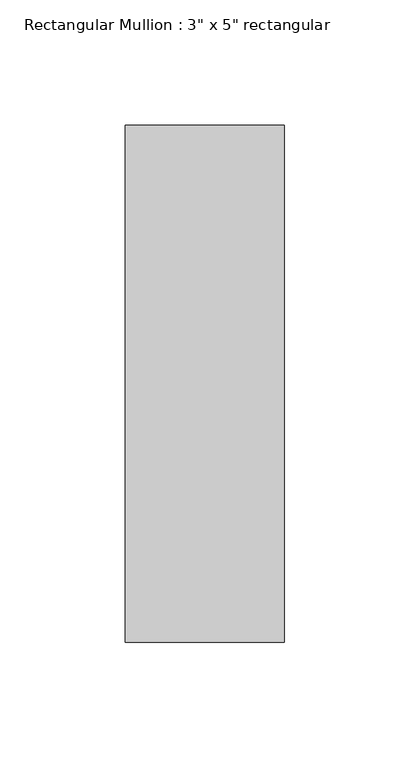
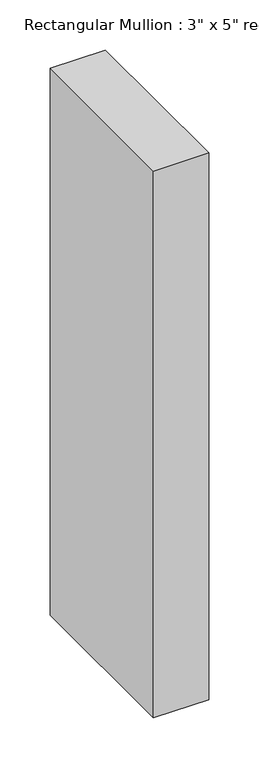
"""IFC4 building model written with IfcOpenShell, lengths in millimetres: member geometry."""

from ifc_helpers import new_model, si_unit, frame, origin, place, context, project, spatial, polyline, outline, extrude, source, transform, mapped, element, save


def member_1ca9402e(model_context):
    return source(origin(), model_context, "Body", "SweptSolid", [
        extrude(outline(polyline([(0.0, 90.551), (0.0, -115.951), (-63.5, -115.951), (-63.5, 90.551), (0.0, 90.551)])), frame((0.0, 0.0, -666.75), z_axis=(0.0, 0.0, 1.0), x_axis=(1.0, 0.0, 0.0)), (0.0, 0.0, 1.0), 666.75),
    ])


if __name__ == "__main__":
    model = new_model("IFC4")
    model_context = context("Model", 3, world=origin())
    ifc_project = project(units=[si_unit("LENGTHUNIT", "METRE", prefix="MILLI")], contexts=[model_context])
    site = spatial("IfcSite", under=ifc_project)
    building = spatial("IfcBuilding", under=site)
    placement = place(None, origin())
    member_shape = member_1ca9402e(model_context)
    element("IfcMember", 1, ObjectType="Rectangular Mullion : 3\" x 5\" rectangular", at=placement, inside=building, context=model_context, shape_type="MappedRepresentation", body=[
        mapped(member_shape, transform((0.0, 0.0, 0.0), x_axis=(1.0, 0.0, 0.0), y_axis=(0.0, 1.0, 0.0), z_axis=(0.0, 0.0, 1.0))),
    ])
    save(model, "model.ifc")
